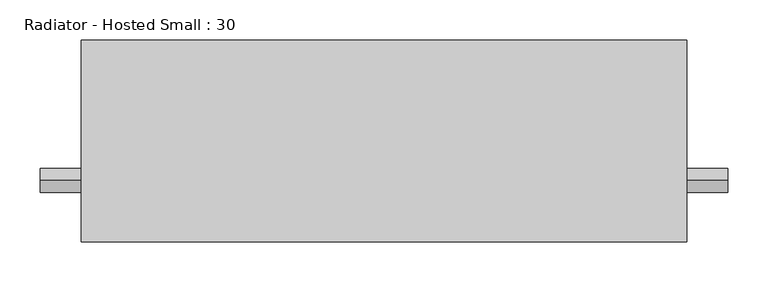
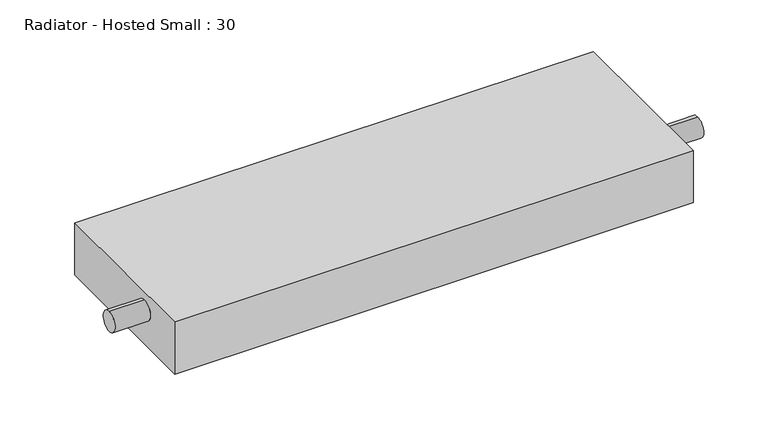
"""IFC4 building model written with IfcOpenShell, lengths in millimetres: proxy geometry, Radiator - Hosted Small : 30."""

from ifc_helpers import new_model, si_unit, frame, origin, place, context, project, spatial, circle_curve, source, transform, mapped, element, save
from ifc_brep_helpers import plane_surface, cylinder_surface, advanced_brep


def radiator_hosted_small_30_b795ddea(model_context):
    return source(origin(), model_context, "Body", "AdvancedBrep", [
        advanced_brep(
        [(375.0, 250.0, 0.0), (375.0, 250.0, 80.0), (375.0, 0.0, 80.0), (375.0, 0.0, 0.0), (375.0, 76.2, 37.3875), (375.0, 76.2, 67.3875), (-375.0, 250.0, 0.0), (-375.0, 0.0, 0.0), (-375.0, 0.0, 80.0), (-375.0, 250.0, 80.0), (-375.0, 76.2, 67.3875), (-375.0, 76.2, 37.3875), (-425.8, 76.2, 37.3875), (-425.8, 76.2, 67.3875), (425.8, 76.2, 37.3875), (425.8, 76.2, 67.3875)],
        [
            (0, 1),
            (1, 2),
            (2, 3),
            (3, 0),
            (4, 5, circle_curve(frame((375.0, 76.2, 52.3875), z_axis=(-1.0, 0.0, 0.0), x_axis=(0.0, 0.0, 1.0)), 15.0)),
            (5, 4, circle_curve(frame((375.0, 76.2, 52.3875), z_axis=(-1.0, 0.0, 0.0), x_axis=(0.0, 0.0, 1.0)), 15.0)),
            (6, 7),
            (7, 8),
            (8, 9),
            (9, 6),
            (10, 11, circle_curve(frame((-375.0, 76.2, 52.3875), z_axis=(1.0, 0.0, 0.0), x_axis=(0.0, 0.0, 1.0)), 15.0)),
            (11, 10, circle_curve(frame((-375.0, 76.2, 52.3875), z_axis=(1.0, 0.0, 0.0), x_axis=(0.0, 0.0, 1.0)), 15.0)),
            (0, 6),
            (9, 1),
            (8, 2),
            (7, 3),
            (12, 13, circle_curve(frame((-425.8, 76.2, 52.3875), z_axis=(-1.0, 0.0, 0.0), x_axis=(0.0, 0.0, 1.0)), 15.0)),
            (13, 12, circle_curve(frame((-425.8, 76.2, 52.3875), z_axis=(-1.0, 0.0, 0.0), x_axis=(0.0, 0.0, 1.0)), 15.0)),
            (14, 15, circle_curve(frame((425.8, 76.2, 52.3875), z_axis=(1.0, 0.0, 0.0), x_axis=(0.0, 0.0, 1.0)), 15.0)),
            (15, 14, circle_curve(frame((425.8, 76.2, 52.3875), z_axis=(1.0, 0.0, 0.0), x_axis=(0.0, 0.0, 1.0)), 15.0)),
            (12, 11),
            (10, 13),
            (15, 5),
            (4, 14),
        ],
        [
            plane_surface(frame((375.0, 250.0, 0.0), z_axis=(1.0, 0.0, 0.0), x_axis=(0.0, 0.0, 1.0))),
            plane_surface(frame((-375.0, 250.0, 0.0), z_axis=(-1.0, 0.0, 0.0), x_axis=(0.0, 0.0, -1.0))),
            plane_surface(frame((375.0, 250.0, 0.0), z_axis=(0.0, 1.0, 0.0), x_axis=(-1.0, 0.0, 0.0))),
            plane_surface(frame((375.0, 250.0, 80.0), z_axis=(0.0, 0.0, 1.0), x_axis=(-1.0, 0.0, 0.0))),
            plane_surface(frame((375.0, 0.0, 80.0), z_axis=(0.0, -1.0, 0.0), x_axis=(-1.0, 0.0, 0.0))),
            plane_surface(frame((375.0, 0.0, 0.0), z_axis=(0.0, 0.0, -1.0), x_axis=(-1.0, 0.0, 0.0))),
            plane_surface(frame((-425.8, 76.2, 67.3875), z_axis=(-1.0, 0.0, 0.0), x_axis=(0.0, 1.0, 0.0))),
            plane_surface(frame((425.8, 76.2, 67.3875), z_axis=(1.0, 0.0, 0.0), x_axis=(0.0, -1.0, 0.0))),
            cylinder_surface(frame((425.8, 76.2, 52.3875), z_axis=(-1.0, 0.0, 0.0), x_axis=(0.0, 0.0, 1.0)), 15.0),
        ],
        [
            (0, [[1, 2, 3, 4], [5, 6]]),
            (1, [[7, 8, 9, 10], [11, 12]]),
            (2, [[-1, 13, -10, 14]]),
            (3, [[-2, -14, -9, 15]]),
            (4, [[-3, -15, -8, 16]]),
            (5, [[-4, -16, -7, -13]]),
            (6, [[17, 18]]),
            (7, [[19, 20]]),
            (8, [[-17, 21, -11, 22]]),
            (8, [[-20, 23, -5, 24]]),
            (8, [[-18, -22, -12, -21]]),
            (8, [[-19, -24, -6, -23]]),
        ],
    ),
    ])


if __name__ == "__main__":
    model = new_model("IFC4")
    model_context = context("Model", 3, world=origin())
    ifc_project = project(units=[si_unit("LENGTHUNIT", "METRE", prefix="MILLI")], contexts=[model_context])
    site = spatial("IfcSite", under=ifc_project)
    building = spatial("IfcBuilding", under=site)
    placement = place(None, origin())
    radiator_hosted_small_30_shape = radiator_hosted_small_30_b795ddea(model_context)
    element("IfcBuildingElementProxy", 1, Name="Radiator - Hosted Small : 30", ObjectType="Radiator - Hosted Small : 30", at=placement, inside=building, context=model_context, shape_type="MappedRepresentation", body=[
        mapped(radiator_hosted_small_30_shape, transform((0.0, 0.0, 0.0), x_axis=(1.0, 0.0, 0.0), y_axis=(0.0, 1.0, 0.0), z_axis=(0.0, 0.0, 1.0))),
    ])
    save(model, "model.ifc")
